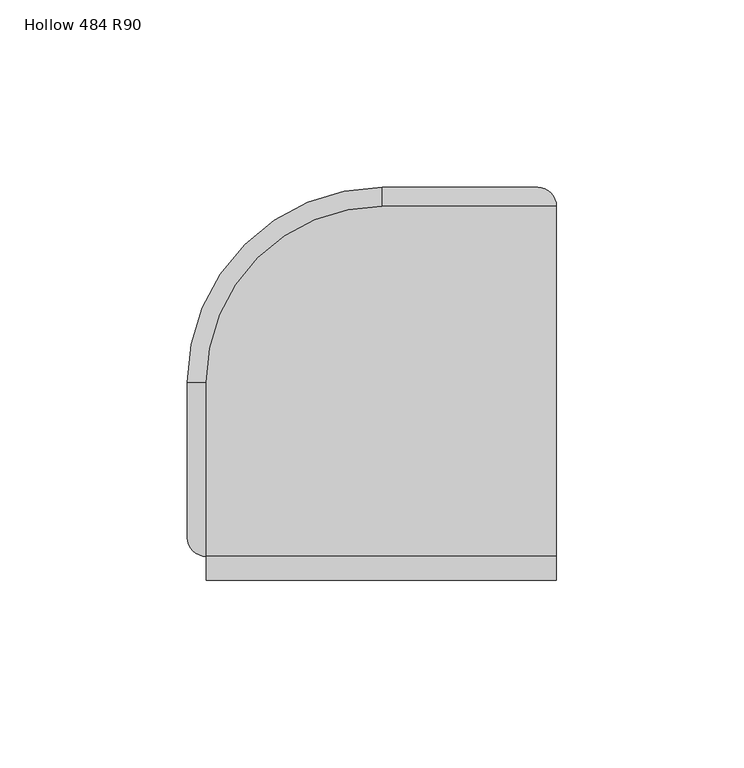
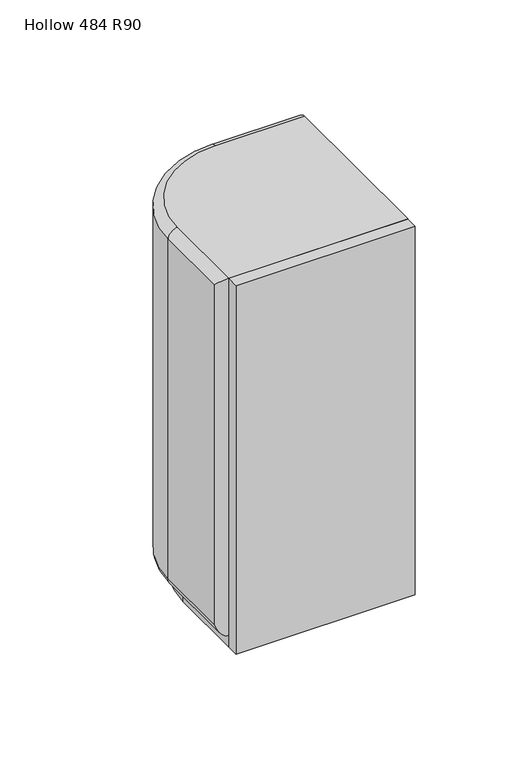
"""IFC4 building model written with IfcOpenShell, lengths in millimetres: plate geometry, Hollow 484 R90."""

from ifc_helpers import new_model, si_unit, point, frame, frame_2d, origin, place, context, project, spatial, polyline, circle_curve, ellipse_curve, trimmed, segment, composite_curve, outline, extrude, source, transform, mapped, element, save
from ifc_brep_helpers import plane_surface, cylinder_surface, revolved_surface, advanced_brep


def hollow_484_r90_9d94bbdc(model_context):
    return source(origin(), model_context, "Body", "SolidModel", [
        extrude(outline(polyline([(47.5999998, -49.2), (47.5999998, -55.6), (-45.8000002, -55.6), (-45.8000002, -49.2), (47.5999998, -49.2)])), frame((0.0, 0.0, -6.4), z_axis=(0.0, 0.0, 1.0), x_axis=(1.0, 0.0, 0.0)), (0.0, 0.0, 1.0), 203.25),
        extrude(outline(composite_curve([segment(trimmed(circle_curve(frame_2d((6.1999998, -7.778479)), 52.0), [point((-45.8000002, -7.778479))], [point((6.1999998, 44.221521))], False, "CARTESIAN"), True, "CONTINUOUS"), segment(polyline([(6.1999998, 44.221521), (47.5999998, 44.221521), (47.5999998, -49.2), (-45.8000002, -49.2), (-45.8000002, -7.778479)]), True, "CONTINUOUS")], self_intersect=False)), frame((0.0, 0.0, -6.4), z_axis=(0.0, 0.0, 1.0), x_axis=(1.0, 0.0, 0.0)), (0.0, 0.0, 1.0), 6.4),
        advanced_brep(
        [(-45.8000002, -49.2, 197.0), (47.5999998, -49.2, 197.0), (47.5999998, 44.2, 197.0), (1.1999998, 44.2, 197.0), (-45.8000002, -2.8, 197.0), (47.5999998, 44.2, 0.0), (47.5999998, -49.2, 0.0), (-45.8000002, -49.2, 0.0), (-45.8000002, -2.8, 0.0), (1.1999998, 44.2, 0.0), (1.1999998, 49.2, 4.9999958), (1.1999998, 49.2, 192.0), (42.5999998, 49.2, 192.0), (42.5999998, 49.2, 5.0), (-50.8000002, -2.8, 192.0000042), (-50.8000002, -2.8, 5.0), (-50.8000002, -44.2, 5.0), (-50.8000002, -44.2, 192.0)],
        [
            (0, 1),
            (1, 2),
            (2, 3),
            (3, 4, circle_curve(frame((1.1999998, -2.8, 197.0), z_axis=(0.0, 0.0, 1.0), x_axis=(0.0, 1.0, 0.0)), 47.0)),
            (4, 0),
            (5, 6),
            (6, 7),
            (7, 8),
            (8, 9, circle_curve(frame((1.1999998, -2.8, 0.0), z_axis=(0.0, 0.0, -1.0), x_axis=(-1.0, 0.0, 0.0)), 47.0)),
            (9, 5),
            (6, 1),
            (0, 7),
            (5, 2),
            (10, 11),
            (11, 12),
            (12, 13),
            (13, 10),
            (14, 15),
            (15, 16),
            (16, 17),
            (17, 14),
            (14, 11, circle_curve(frame((1.1999998, -2.8, 192.0), z_axis=(0.0, 0.0, -1.0), x_axis=(1.0, 0.0, 0.0)), 52.0)),
            (10, 15, circle_curve(frame((1.1999998, -2.8, 5.0), z_axis=(0.0, 0.0, 1.0), x_axis=(1.0, 0.0, 0.0)), 52.0)),
            (15, 8, circle_curve(frame((-45.8000002, -2.8, 5.0), z_axis=(0.0, -1.0, 0.0), x_axis=(-1.0, 0.0, 0.0)), 5.0)),
            (7, 16, ellipse_curve(frame((-45.8000002, -44.2, 5.0), z_axis=(0.0, 0.7071067811865475, -0.7071067811865475), x_axis=(0.0, 0.7071067811865476, 0.7071067811865474)), 7.0710678, 5.0)),
            (10, 9, circle_curve(frame((1.1999998, 44.2, 5.0), z_axis=(-1.0, 0.0, 0.0), x_axis=(0.0, 1.0, 0.0)), 5.0)),
            (13, 5, ellipse_curve(frame((42.5999998, 44.2, 5.0), z_axis=(-0.7071067811865475, 0.0, -0.7071067811865475), x_axis=(0.7071067811865476, 0.0, -0.7071067811865474)), 7.0710678, 5.0)),
            (12, 2, ellipse_curve(frame((42.5999998, 44.2, 192.0), z_axis=(0.7071067811865475, 0.0, -0.7071067811865475), x_axis=(0.7071067811865474, 0.0, 0.7071067811865476)), 7.0710678, 5.0)),
            (11, 3, circle_curve(frame((1.1999998, 44.2, 192.0), z_axis=(1.0, 0.0, 0.0), x_axis=(0.0, 1.0, 0.0)), 5.0)),
            (14, 4, circle_curve(frame((-45.8000002, -2.8, 192.0), z_axis=(0.0, 1.0, 0.0), x_axis=(-1.0, 0.0, 0.0)), 5.0)),
            (17, 0, ellipse_curve(frame((-45.8000002, -44.2, 192.0), z_axis=(0.0, 0.7071067811865475, 0.7071067811865475), x_axis=(0.0, -0.7071067811865476, 0.7071067811865474)), 7.0710678, 5.0)),
        ],
        [
            plane_surface(frame((-50.8000002, -49.2, 197.0), z_axis=(0.0, 0.0, 1.0), x_axis=(1.0, 0.0, 0.0))),
            plane_surface(frame((-50.8000002, -49.2, 0.0), z_axis=(0.0, 0.0, -1.0), x_axis=(-1.0, 0.0, 0.0))),
            plane_surface(frame((-50.8000002, -49.2, 197.0), z_axis=(0.0, -1.0, 0.0), x_axis=(0.0, 0.0, -1.0))),
            plane_surface(frame((47.5999998, -49.2, 197.0), z_axis=(1.0, 0.0, 0.0), x_axis=(0.0, 0.0, -1.0))),
            plane_surface(frame((47.5999998, 49.2, 197.0), z_axis=(0.0, 1.0, 0.0), x_axis=(0.0, 0.0, -1.0))),
            plane_surface(frame((-50.8000002, -2.8, 197.0), z_axis=(-1.0, 0.0, 0.0), x_axis=(0.0, 0.0, -1.0))),
            cylinder_surface(frame((1.1999998, -2.8, 0.0), z_axis=(0.0, 0.0, 1.0), x_axis=(1.0, 0.0, 0.0)), 52.0),
            cylinder_surface(frame((-45.8000002, -49.2, 5.0), z_axis=(0.0, 1.0, 0.0), x_axis=(-1.0, 0.0, 0.0)), 5.0),
            revolved_surface(trimmed(ellipse_curve(frame((-45.8000002, -2.8, 5.0), z_axis=(0.0, -1.0, 0.0), x_axis=(-1.0, 0.0, 0.0)), 5.0, 5.0), [point((-50.8000002, -2.8, 5.0))], [point((-45.8000002, -2.8, 0.0))], True, "CARTESIAN"), (1.1999998, -2.8, 0.0), (0.0, 0.0, -1.0)),
            cylinder_surface(frame((1.1999998, 44.2, 5.0), z_axis=(1.0, 0.0, 0.0), x_axis=(0.0, 1.0, 0.0)), 5.0),
            cylinder_surface(frame((42.5999998, 44.2, 0.0), z_axis=(0.0, 0.0, 1.0), x_axis=(0.0, 1.0, 0.0)), 5.0),
            cylinder_surface(frame((47.5999998, 44.2, 192.0), z_axis=(-1.0, 0.0, 0.0), x_axis=(0.0, 1.0, 0.0)), 5.0),
            revolved_surface(trimmed(ellipse_curve(frame((1.1999998, 44.2, 192.0), z_axis=(1.0, 0.0, 0.0), x_axis=(0.0, 1.0, 0.0)), 5.0, 5.0), [point((1.1999998, 49.2, 192.0))], [point((1.1999998, 44.2, 197.0))], True, "CARTESIAN"), (1.1999998, -2.8, 197.0), (0.0, 0.0, 1.0)),
            cylinder_surface(frame((-45.8000002, -2.8, 192.0), z_axis=(0.0, -1.0, 0.0), x_axis=(-1.0, 0.0, 0.0)), 5.0),
            cylinder_surface(frame((-45.8000002, -44.2, 197.0), z_axis=(0.0, 0.0, -1.0), x_axis=(-1.0, 0.0, 0.0)), 5.0),
        ],
        [
            (0, [[1, 2, 3, 4, 5]]),
            (1, [[6, 7, 8, 9, 10]]),
            (2, [[11, -1, 12, -7]]),
            (3, [[-11, -6, 13, -2]]),
            (4, [[14, 15, 16, 17]]),
            (5, [[18, 19, 20, 21]]),
            (6, [[-18, 22, -14, 23]]),
            (7, [[24, -8, 25, -19]]),
            (8, [[-24, -23, 26, -9]]),
            (9, [[-26, -17, 27, -10]]),
            (10, [[-27, -16, 28, -13]]),
            (11, [[-28, -15, 29, -3]]),
            (12, [[-29, -22, 30, -4]]),
            (13, [[-30, -21, 31, -5]]),
            (14, [[-25, -12, -31, -20]]),
        ],
    ),
    ])


if __name__ == "__main__":
    model = new_model("IFC4")
    model_context = context("Model", 3, world=origin())
    ifc_project = project(units=[si_unit("LENGTHUNIT", "METRE", prefix="MILLI")], contexts=[model_context])
    site = spatial("IfcSite", under=ifc_project)
    building = spatial("IfcBuilding", under=site)
    placement = place(None, origin())
    hollow_484_r90_shape = hollow_484_r90_9d94bbdc(model_context)
    element("IfcPlate", 1, ObjectType="Hollow 484 R90", at=placement, inside=building, context=model_context, shape_type="MappedRepresentation", body=[
        mapped(hollow_484_r90_shape, transform((0.0, 0.0, 0.0), x_axis=(1.0, 0.0, 0.0), y_axis=(0.0, 1.0, 0.0), z_axis=(0.0, 0.0, 1.0))),
    ])
    save(model, "model.ifc")
